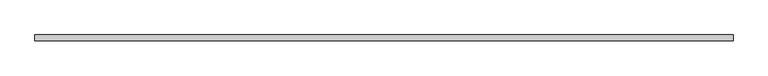
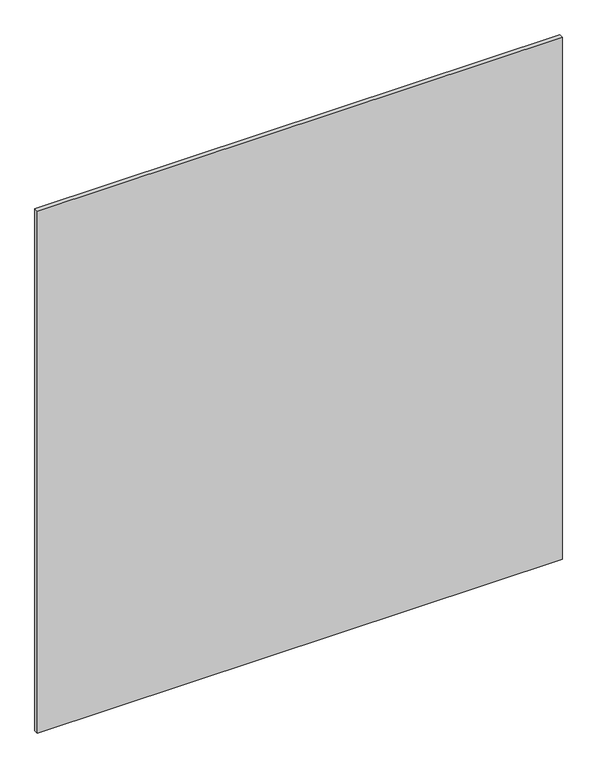
"""IFC4 building model written with IfcOpenShell, lengths in millimetres: plate geometry."""

from ifc_helpers import new_model, si_unit, origin, origin_with_axes, place, context, project, spatial, polyline, outline, extrude, source, transform, mapped, element, save


def plate_f95d6bee(model_context):
    return source(origin(), model_context, "Body", "SweptSolid", [
        extrude(outline(polyline([(616.65, 5.0), (616.65, -5.0), (-616.65, -5.0), (-616.65, 5.0), (616.65, 5.0)])), origin_with_axes(), (0.0, 0.0, 1.0), 1295.5),
    ])


if __name__ == "__main__":
    model = new_model("IFC4")
    model_context = context("Model", 3, world=origin())
    ifc_project = project(units=[si_unit("LENGTHUNIT", "METRE", prefix="MILLI")], contexts=[model_context])
    site = spatial("IfcSite", under=ifc_project)
    building = spatial("IfcBuilding", under=site)
    placement = place(None, origin())
    plate_shape = plate_f95d6bee(model_context)
    element("IfcPlate", 1, at=placement, inside=building, context=model_context, shape_type="MappedRepresentation", body=[
        mapped(plate_shape, transform((0.0, 0.0, 0.0), x_axis=(1.0, 0.0, 0.0), y_axis=(0.0, 1.0, 0.0), z_axis=(0.0, 0.0, 1.0))),
    ])
    save(model, "model.ifc")
